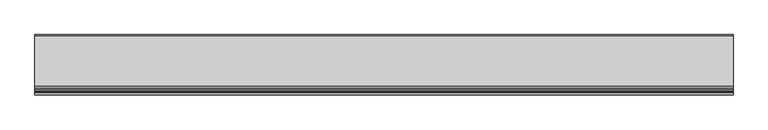
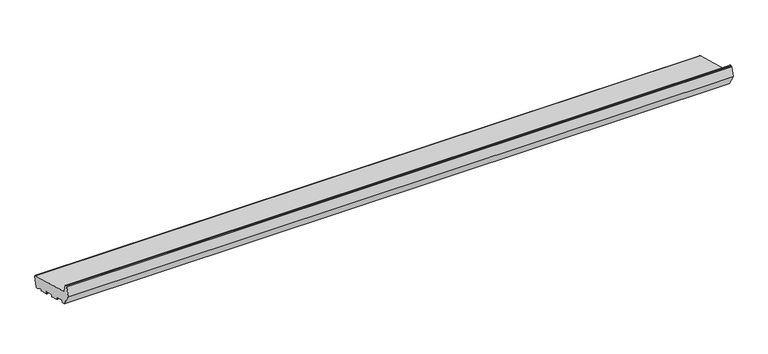
"""IFC4 building model written with IfcOpenShell, lengths in millimetres: proxy geometry."""

from ifc_helpers import new_model, si_unit, point, frame, frame_2d, origin, place, context, project, spatial, polyline, circle_curve, trimmed, segment, composite_curve, outline, extrude, source, transform, mapped, element, save


def generic_models_0eec6a21(model_context):
    return source(origin(), model_context, "Body", "SweptSolid", [
        extrude(outline(composite_curve([segment(polyline([(24.4386976, 5.4869469), (21.7219201, 6.2149052), (7.5536904, 14.8023515)]), True, "CONTINUOUS"), segment(trimmed(circle_curve(frame_2d((7.0353604, 13.9471708)), 1.0), [point((7.5536904, 14.8023515))], [point((6.0694345, 14.2059898))], True, "CARTESIAN"), True, "CONTINUOUS"), segment(polyline([(6.0694345, 14.2059898), (5.1201811, 10.6633278)]), True, "CONTINUOUS"), segment(trimmed(circle_curve(frame_2d((4.1542553, 10.9221468)), 1.0), [point((5.1201811, 10.6633278))], [point((3.8954362, 9.956221))], False, "CARTESIAN"), True, "CONTINUOUS"), segment(polyline([(3.8954362, 9.956221), (-18.3208578, 15.909059)]), True, "CONTINUOUS"), segment(trimmed(circle_curve(frame_2d((-18.0620387, 16.8749849)), 1.0), [point((-18.3208578, 15.909059))], [point((-19.0279645, 17.1338039))], False, "CARTESIAN"), True, "CONTINUOUS"), segment(polyline([(-19.0279645, 17.1338039), (-17.9926884, 20.9975072)]), True, "CONTINUOUS"), segment(trimmed(circle_curve(frame_2d((-18.9586142, 21.2563263)), 1.0), [point((-17.9926884, 20.9975072))], [point((-18.6997951, 22.2222521))], True, "CARTESIAN"), True, "CONTINUOUS"), segment(polyline([(-18.6997951, 22.2222521), (-41.882015, 28.4339092)]), True, "CONTINUOUS"), segment(trimmed(circle_curve(frame_2d((-42.140834, 27.4679833)), 1.0), [point((-41.882015, 28.4339092))], [point((-43.1067598, 27.7268024))], True, "CARTESIAN"), True, "CONTINUOUS"), segment(polyline([(-43.1067598, 27.7268024), (-44.142036, 23.8630991)]), True, "CONTINUOUS"), segment(trimmed(circle_curve(frame_2d((-45.1079618, 24.1219181)), 1.0), [point((-44.142036, 23.8630991))], [point((-45.3667809, 23.1559923))], False, "CARTESIAN"), True, "CONTINUOUS"), segment(polyline([(-45.3667809, 23.1559923), (-67.5830749, 29.1088303)]), True, "CONTINUOUS"), segment(trimmed(circle_curve(frame_2d((-67.3242559, 30.0747562)), 1.0), [point((-67.5830749, 29.1088303))], [point((-68.2901817, 30.3335752))], False, "CARTESIAN"), True, "CONTINUOUS"), segment(polyline([(-68.2901817, 30.3335752), (-67.2549055, 34.1972785)]), True, "CONTINUOUS"), segment(trimmed(circle_curve(frame_2d((-68.2208313, 34.4560976)), 1.0), [point((-67.2549055, 34.1972785))], [point((-67.9620123, 35.4220234))], True, "CARTESIAN"), True, "CONTINUOUS"), segment(polyline([(-67.9620123, 35.4220234), (-91.1442321, 41.6336805)]), True, "CONTINUOUS"), segment(trimmed(circle_curve(frame_2d((-91.4030512, 40.6677546)), 1.0), [point((-91.1442321, 41.6336805))], [point((-92.368977, 40.9265737))], True, "CARTESIAN"), True, "CONTINUOUS"), segment(polyline([(-92.368977, 40.9265737), (-93.4042532, 37.0628704)]), True, "CONTINUOUS"), segment(trimmed(circle_curve(frame_2d((-94.370179, 37.3216894)), 1.0), [point((-93.4042532, 37.0628704))], [point((-94.628998, 36.3557636))], False, "CARTESIAN"), True, "CONTINUOUS"), segment(polyline([(-94.628998, 36.3557636), (-103.3223305, 38.685135), (-121.0, 69.3037568), (-114.4291321, 93.8265696)]), True, "CONTINUOUS"), segment(trimmed(circle_curve(frame_2d((-112.9802434, 93.4383411)), 1.5), [point((-114.4291321, 93.8265696))], [point((-112.9802434, 94.9383411))], False, "CARTESIAN"), True, "CONTINUOUS"), segment(polyline([(-112.9802434, 94.9383411), (-109.6368689, 94.9383411)]), True, "CONTINUOUS"), segment(trimmed(circle_curve(frame_2d((-109.6368689, 93.4383411)), 1.5), [point((-109.6368689, 94.9383411))], [point((-108.1879801, 93.8265696))], False, "CARTESIAN"), True, "CONTINUOUS"), segment(polyline([(-108.1879801, 93.8265696), (-103.4052841, 75.9773049)]), True, "CONTINUOUS"), segment(trimmed(circle_curve(frame_2d((-97.6097291, 77.5302191)), 6.0), [point((-103.4052841, 75.9773049))], [point((-99.1626434, 71.7346642))], True, "CARTESIAN"), True, "CONTINUOUS"), segment(polyline([(-99.1626434, 71.7346642), (32.7209071, 36.3965733)]), True, "CONTINUOUS"), segment(trimmed(circle_curve(frame_2d((31.94445, 33.4987958)), 3.0), [point((32.7209071, 36.3965733))], [point((34.8422274, 32.7223387))], False, "CARTESIAN"), True, "CONTINUOUS"), segment(polyline([(34.8422274, 32.7223387), (28.1129323, 7.6082672)]), True, "CONTINUOUS"), segment(trimmed(circle_curve(frame_2d((25.2151548, 8.3847244)), 3.0), [point((28.1129323, 7.6082672))], [point((24.4386976, 5.4869469))], False, "CARTESIAN"), True, "CONTINUOUS")], self_intersect=False)), frame((0.0, 0.0, 0.0), z_axis=(1.0, 0.0, 0.0), x_axis=(0.0, 1.0, 0.0)), (0.0, 0.0, 1.0), 1799.0),
    ])


if __name__ == "__main__":
    model = new_model("IFC4")
    model_context = context("Model", 3, world=origin())
    ifc_project = project(units=[si_unit("LENGTHUNIT", "METRE", prefix="MILLI")], contexts=[model_context])
    site = spatial("IfcSite", under=ifc_project)
    building = spatial("IfcBuilding", under=site)
    placement = place(None, origin())
    generic_models_shape = generic_models_0eec6a21(model_context)
    element("IfcBuildingElementProxy", 1, Name="Generic Models", at=placement, inside=building, context=model_context, shape_type="MappedRepresentation", body=[
        mapped(generic_models_shape, transform((0.0, 0.0, 0.0), x_axis=(1.0, 0.0, 0.0), y_axis=(0.0, 1.0, 0.0), z_axis=(0.0, 0.0, 1.0))),
    ])
    save(model, "model.ifc")
